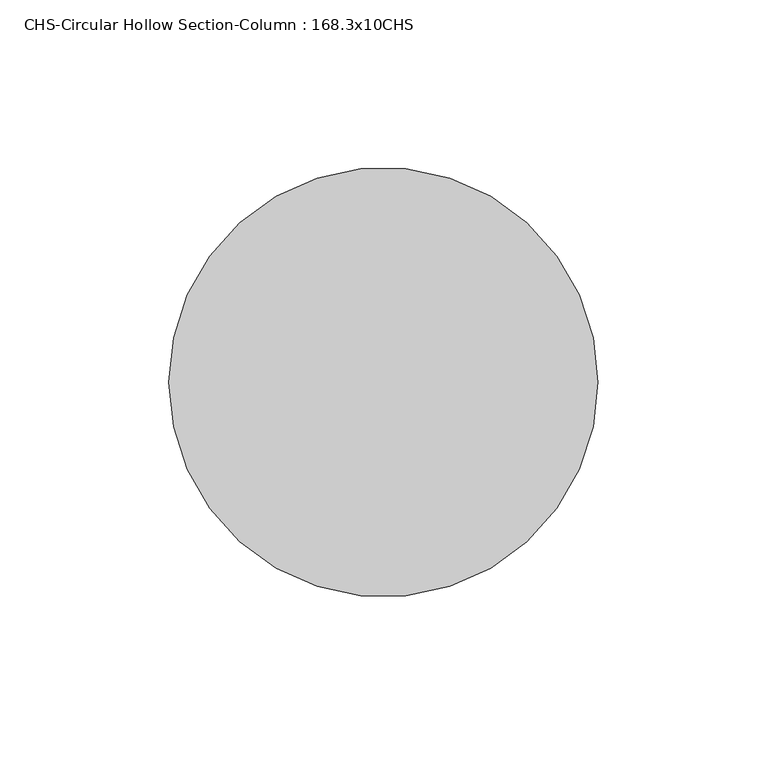
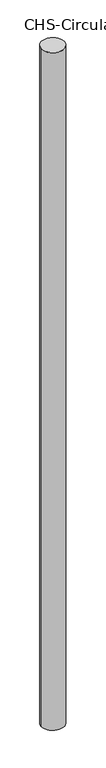
"""IFC4 building model written with IfcOpenShell, lengths in millimetres: column geometry, CHS-Circular Hollow Section-Column : 168.3x10CHS."""

from ifc_helpers import new_model, si_unit, point, frame, origin, origin_2d, place, context, project, spatial, circle_curve, trimmed, segment, composite_curve, outline, extrude, source, transform, mapped, element, save


def chs_circular_hollow_section_column_168_3x10chs_a7aeb177(model_context):
    return source(origin(), model_context, "Body", "SweptSolid", [
        extrude(outline(composite_curve([segment(trimmed(circle_curve(origin_2d(), 63.5), [point((-63.5, 0.0))], [point((63.5, 0.0))], False, "CARTESIAN"), True, "CONTINUOUS"), segment(trimmed(circle_curve(origin_2d(), 63.5), [point((63.5, 0.0))], [point((-63.5, 0.0))], False, "CARTESIAN"), True, "CONTINUOUS")], self_intersect=False)), frame((0.0, 0.0, -4852.8095766), z_axis=(0.0, 0.0, 1.0), x_axis=(1.0, 0.0, 0.0)), (0.0, 0.0, 1.0), 4000.0),
    ])


if __name__ == "__main__":
    model = new_model("IFC4")
    model_context = context("Model", 3, world=origin())
    ifc_project = project(units=[si_unit("LENGTHUNIT", "METRE", prefix="MILLI")], contexts=[model_context])
    site = spatial("IfcSite", under=ifc_project)
    building = spatial("IfcBuilding", under=site)
    placement = place(None, origin())
    chs_circular_hollow_section_column_168_3x10chs_shape = chs_circular_hollow_section_column_168_3x10chs_a7aeb177(model_context)
    element("IfcColumn", 1, ObjectType="CHS-Circular Hollow Section-Column : 168.3x10CHS", at=placement, inside=building, context=model_context, shape_type="MappedRepresentation", body=[
        mapped(chs_circular_hollow_section_column_168_3x10chs_shape, transform((0.0, 0.0, 0.0), x_axis=(1.0, 0.0, 0.0), y_axis=(0.0, 1.0, 0.0), z_axis=(0.0, 0.0, 1.0))),
    ])
    save(model, "model.ifc")
